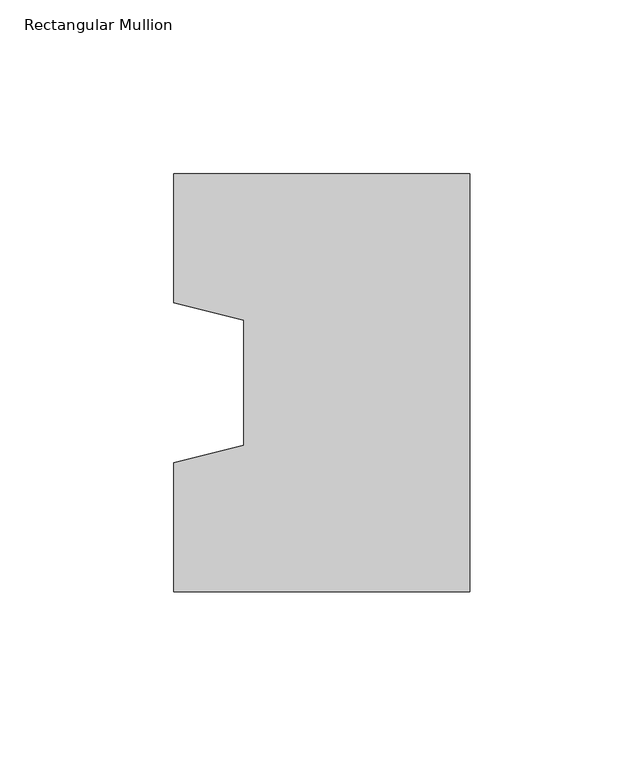
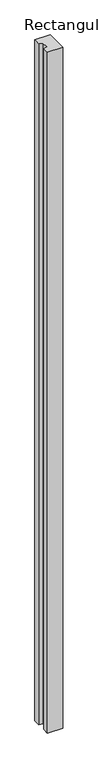
"""IFC4 building model written with IfcOpenShell, lengths in millimetres: column geometry, Rectangular Mullion."""

from ifc_helpers import new_model, si_unit, frame, origin, place, context, project, spatial, polyline, outline, extrude, source, transform, mapped, element, save


def rectangular_mullion_794ffe64(model_context):
    return source(origin(), model_context, "Body", "SweptSolid", [
        extrude(outline(polyline([(-85.0, -60.0), (-85.0, -23.0), (-65.0, -18.0), (-65.0, 18.0), (-85.0, 23.0), (-85.0, 60.0), (0.0, 60.0), (0.0, -60.0), (-85.0, -60.0)])), frame((0.0, 0.0, -4000.0), z_axis=(0.0, 0.0, 1.0), x_axis=(1.0, 0.0, 0.0)), (0.0, 0.0, 1.0), 4000.0),
    ])


if __name__ == "__main__":
    model = new_model("IFC4")
    model_context = context("Model", 3, world=origin())
    ifc_project = project(units=[si_unit("LENGTHUNIT", "METRE", prefix="MILLI")], contexts=[model_context])
    site = spatial("IfcSite", under=ifc_project)
    building = spatial("IfcBuilding", under=site)
    placement = place(None, origin())
    rectangular_mullion_shape = rectangular_mullion_794ffe64(model_context)
    element("IfcColumn", 1, ObjectType="Rectangular Mullion", at=placement, inside=building, context=model_context, shape_type="MappedRepresentation", body=[
        mapped(rectangular_mullion_shape, transform((0.0, 0.0, 0.0), x_axis=(1.0, 0.0, 0.0), y_axis=(0.0, 1.0, 0.0), z_axis=(0.0, 0.0, 1.0))),
    ])
    save(model, "model.ifc")
